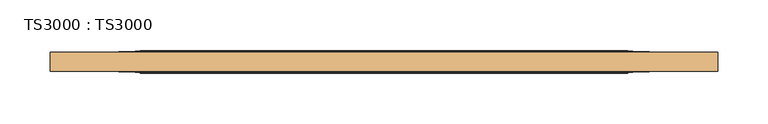
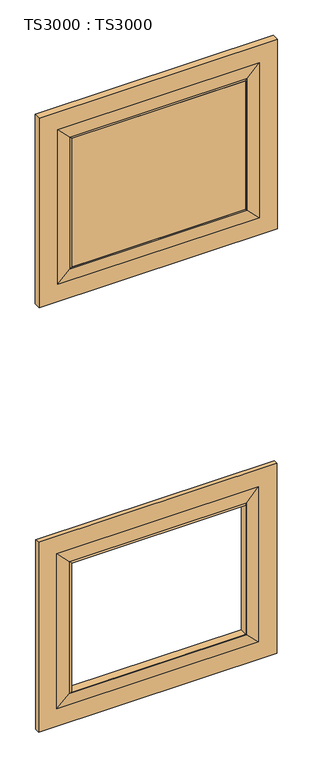
"""IFC4 building model written with IfcOpenShell, lengths in millimetres: door geometry, TS3000 : TS3000."""

import ifcopenshell
import ifcopenshell.guid

model = None  # the IFC model being written
_history = None  # IfcOwnerHistory: only IFC2X3 demands one
_inside = {}  # id of a spatial element -> (the spatial element, [elements in it])
_under = {}  # id of a project, library or spatial element -> (it, [spatial elements below it])
_declared = {}  # id of a project -> (the project, [libraries it declares])
_typed = {}  # id of a type object -> (the type object, [elements of that type])
_made_of = {}  # id of a material, layer set ... -> (it, [elements and type objects made of it])


def new_model(schema):
    """Start an empty IFC model of exactly this schema.

    Asked for "IFC4X3", IfcOpenShell would pick the latest addendum, in which some entities
    have other attributes; the version numbers below select the first issue.
    IFC2X3 requires an IfcOwnerHistory on every rooted entity: one is made here for all.
    """
    global model, _history
    if schema == "IFC4X3":
        model = ifcopenshell.file(schema_version=(4, 3, 0, 0))
    else:
        model = ifcopenshell.file(schema=schema)
    _inside.clear()
    _under.clear()
    _declared.clear()
    _typed.clear()
    _made_of.clear()
    _history = None
    if model.schema == "IFC2X3":
        org = make("IfcOrganization", Name="unknown")
        user = make(
            "IfcPersonAndOrganization",
            ThePerson=make("IfcPerson", FamilyName="unknown"),
            TheOrganization=org,
        )
        app = make(
            "IfcApplication",
            ApplicationDeveloper=org,
            Version="unknown",
            ApplicationFullName="unknown",
            ApplicationIdentifier="unknown",
        )
        _history = make(
            "IfcOwnerHistory",
            OwningUser=user,
            OwningApplication=app,
            ChangeAction="ADDED",
            CreationDate=0,
        )
    return model


def make(cls, **values):
    """One entity of the class cls with the attributes given. An attribute that is None is left unset."""
    return model.create_entity(
        cls, **{name: value for name, value in values.items() if value is not None}
    )


def rooted(cls, **values):
    """An entity with a GlobalId (a new one), such as an element, a storey or a relation."""
    return make(cls, GlobalId=ifcopenshell.guid.new(), OwnerHistory=_history, **values)


def si_unit(unit_type, name, prefix=None):
    """IfcSIUnit, for example si_unit("LENGTHUNIT", "METRE", prefix="MILLI")."""
    return make("IfcSIUnit", UnitType=unit_type, Prefix=prefix, Name=name)


def assignment(units):
    """IfcUnitAssignment: the units of a project."""
    return None if units is None else make("IfcUnitAssignment", Units=units)


def point(xyz):
    """IfcCartesianPoint."""
    return None if xyz is None else make("IfcCartesianPoint", Coordinates=xyz)


def direction(xyz):
    """IfcDirection."""
    return None if xyz is None else make("IfcDirection", DirectionRatios=xyz)


def frame(location, z_axis=None, x_axis=None):
    """IfcAxis2Placement3D, a coordinate frame: its origin and axes. An axis left out is left unset."""
    return make(
        "IfcAxis2Placement3D",
        Location=point(location),
        Axis=direction(z_axis),
        RefDirection=direction(x_axis),
    )


def origin():
    """The frame at (0, 0, 0) with its axes left unset."""
    return frame((0.0, 0.0, 0.0))


def place(relative_to, where):
    """IfcLocalPlacement: puts the frame where relative to a parent placement (None: the world)."""
    return make(
        "IfcLocalPlacement", PlacementRelTo=relative_to, RelativePlacement=where
    )


def context(
    kind, dimensions, precision=None, world=None, true_north=None, identifier=None
):
    """IfcGeometricRepresentationContext, for example the 3D "Model" context."""
    return make(
        "IfcGeometricRepresentationContext",
        ContextIdentifier=identifier,
        ContextType=kind,
        CoordinateSpaceDimension=dimensions,
        Precision=precision,
        WorldCoordinateSystem=world,
        TrueNorth=true_north,
    )


def project(units=None, contexts=None):
    """IfcProject with its units and contexts."""
    return rooted(
        "IfcProject",
        Name="project",
        RepresentationContexts=contexts,
        UnitsInContext=assignment(units),
    )


def spatial(cls, under=None, at=None, **own):
    """A site, building, storey or space (cls), placed at a placement, below another one or the project."""
    s = rooted(cls, ObjectPlacement=at, **own)
    if under is not None:
        _under.setdefault(under.id(), (under, []))[1].append(s)
    return s


def polyline(points):
    """IfcPolyline through the points."""
    return make("IfcPolyline", Points=[point(p) for p in points])


def ellipse_curve(where, semi_axis1, semi_axis2):
    """IfcEllipse in the frame where."""
    return make(
        "IfcEllipse", Position=where, SemiAxis1=semi_axis1, SemiAxis2=semi_axis2
    )


def outline(outer, holes=None, kind="AREA"):
    """IfcArbitraryClosedProfileDef: a profile drawn as a closed curve; with holes, ...WithVoids."""
    if holes is None:
        return make("IfcArbitraryClosedProfileDef", ProfileType=kind, OuterCurve=outer)
    return make(
        "IfcArbitraryProfileDefWithVoids",
        ProfileType=kind,
        OuterCurve=outer,
        InnerCurves=holes,
    )


def extrude(swept, where, along, depth):
    """IfcExtrudedAreaSolid: the profile swept, set in the frame where, extruded along a direction by depth."""
    return make(
        "IfcExtrudedAreaSolid",
        SweptArea=swept,
        Position=where,
        ExtrudedDirection=direction(along),
        Depth=depth,
    )


def shape(context_of_items, identifier, shape_type, items):
    """IfcShapeRepresentation: the items that make up one representation, for example the "Body"."""
    return make(
        "IfcShapeRepresentation",
        ContextOfItems=context_of_items,
        RepresentationIdentifier=identifier,
        RepresentationType=shape_type,
        Items=items,
    )


def source(mapping_origin, context_of_items, identifier, shape_type, items):
    """IfcRepresentationMap: a shape defined once, which mapped items show again and again."""
    return make(
        "IfcRepresentationMap",
        MappingOrigin=mapping_origin,
        MappedRepresentation=shape(context_of_items, identifier, shape_type, items),
    )


def transform(
    local_origin,
    x_axis=None,
    y_axis=None,
    z_axis=None,
    scale=None,
    scale2=None,
    scale3=None,
    uniform=True,
):
    """IfcCartesianTransformationOperator3D, or its non-uniform kind. x_axis, y_axis, z_axis: its Axis1, 2, 3."""
    if uniform:
        return make(
            "IfcCartesianTransformationOperator3D",
            Axis1=direction(x_axis),
            Axis2=direction(y_axis),
            LocalOrigin=point(local_origin),
            Scale=scale,
            Axis3=direction(z_axis),
        )
    return make(
        "IfcCartesianTransformationOperator3DnonUniform",
        Axis1=direction(x_axis),
        Axis2=direction(y_axis),
        LocalOrigin=point(local_origin),
        Scale=scale,
        Axis3=direction(z_axis),
        Scale2=scale2,
        Scale3=scale3,
    )


def mapped(mapping_source, mapping_target):
    """IfcMappedItem: shows the shape of a source again, moved by a transform."""
    return make(
        "IfcMappedItem", MappingSource=mapping_source, MappingTarget=mapping_target
    )


def made_of(thing, what):
    """Note that an element or type object is made of a material, layer set ...; save() writes the relation."""
    if what is not None:
        _made_of.setdefault(what.id(), (what, []))[1].append(thing)
    return thing


def element(
    cls,
    number,
    at=None,
    inside=None,
    cuts=None,
    type_object=None,
    material=None,
    context=None,
    identifier="Body",
    shape_type=None,
    held_by="IfcProductDefinitionShape",
    body=None,
    shapes=None,
    **own,
):
    """One element of the class cls, such as IfcWall. Its Tag is "e" and its number.

    at: its placement. inside: the storey or other place that contains it. cuts: it is an
    opening in that element (IfcRelVoidsElement). A single representation is given by context,
    identifier, shape_type and body (its items); several are given by shapes. held_by: the class
    of the entity that holds the representations. save() writes the other relations.
    """
    e = rooted(cls, Tag="e%d" % number, ObjectPlacement=at, **own)
    if body is not None:
        shapes = [shape(context, identifier, shape_type, body)]
    if shapes is not None:
        e.Representation = make(held_by, Representations=shapes)
    if inside is not None:
        _inside.setdefault(inside.id(), (inside, []))[1].append(e)
    if cuts is not None:
        rooted(
            "IfcRelVoidsElement", RelatingBuildingElement=cuts, RelatedOpeningElement=e
        )
    if type_object is not None:
        _typed.setdefault(type_object.id(), (type_object, []))[1].append(e)
    return made_of(e, material)


def aggregate(whole, parts):
    """IfcRelAggregates: a whole, such as a stair, and the parts it consists of."""
    return rooted("IfcRelAggregates", RelatingObject=whole, RelatedObjects=parts)


def save(model, path):
    """Write the relations noted so far, then the file.

    IfcRelAggregates (storeys below a building ...), IfcRelContainedInSpatialStructure (elements
    in a storey), IfcRelDefinesByType, IfcRelAssociatesMaterial and IfcRelDeclares: one each for
    every whole, place, type object, material and project.
    """
    for whole, parts in _under.values():
        aggregate(whole, parts)
    for where, things in _inside.values():
        rooted(
            "IfcRelContainedInSpatialStructure",
            RelatedElements=things,
            RelatingStructure=where,
        )
    for kind, things in _typed.values():
        rooted("IfcRelDefinesByType", RelatedObjects=things, RelatingType=kind)
    for what, things in _made_of.values():
        rooted("IfcRelAssociatesMaterial", RelatedObjects=things, RelatingMaterial=what)
    for by, libraries in _declared.values():
        rooted("IfcRelDeclares", RelatingContext=by, RelatedDefinitions=libraries)
    model.write(path)


def plane_surface(at):
    """IfcPlane: the flat surface through the origin of the frame at, square to its z axis."""
    return make("IfcPlane", Position=at)


def revolved_surface(curve, axis_point, axis_direction):
    """IfcSurfaceOfRevolution: the curve turned about the line through axis_point along axis_direction."""
    return make(
        "IfcSurfaceOfRevolution",
        SweptCurve=make("IfcArbitraryOpenProfileDef", ProfileType="CURVE", Curve=curve),
        AxisPosition=make("IfcAxis1Placement", Location=point(axis_point), Axis=direction(axis_direction)),
    )


def advanced_brep(points, edges, surfaces, faces):
    """IfcAdvancedBrep: a solid bounded by faces that lie on surfaces and meet in shared edges.

    An edge is (start, end): straight between two places in points (the first is 0);
    or (start, end, curve); or (start, end, curve, False) where it runs against its curve.
    A face is (place in surfaces, loops), or (place, loops, False) where it looks against
    its surface's normal. A loop lists edges by number (the first is 1), with a minus sign
    where the edge is run from its end to its start. The first loop is the outer one.
    """
    corners = [point(p) for p in points]
    vertices = [make("IfcVertexPoint", VertexGeometry=c) for c in corners]
    made = []
    for start, end, *more in edges:
        made.append(
            make(
                "IfcEdgeCurve",
                EdgeStart=vertices[start],
                EdgeEnd=vertices[end],
                EdgeGeometry=more[0] if more else make("IfcPolyline", Points=[corners[start], corners[end]]),
                SameSense=more[1] if len(more) > 1 else True,
            )
        )
    hull = []
    for where, loops, *sense in faces:
        bounds = []
        for j, loop in enumerate(loops):
            ring = [make("IfcOrientedEdge", EdgeElement=made[abs(k) - 1], Orientation=k > 0) for k in loop]
            bounds.append(
                make(
                    "IfcFaceOuterBound" if j == 0 else "IfcFaceBound",
                    Bound=make("IfcEdgeLoop", EdgeList=ring),
                    Orientation=True,
                )
            )
        hull.append(make("IfcAdvancedFace", Bounds=bounds, FaceSurface=surfaces[where], SameSense=sense[0] if sense else True))
    return make("IfcAdvancedBrep", Outer=make("IfcClosedShell", CfsFaces=hull))


def ts3000_ts3000_832c720e(model_context):
    return source(origin(), model_context, "Body", "SolidModel", [
        advanced_brep(
        [(787.4, 15.875, 764.1166667), (787.4, 15.875, 209.55), (787.4, 28.575, 209.55), (787.4, 28.575, 764.1166667), (698.5, 33.3375, 675.2166667), (698.5, 33.3375, 298.45), (698.5, 11.1125, 298.45), (698.5, 11.1125, 675.2166667), (127.0, 15.875, 209.55), (127.0, 28.575, 209.55), (215.9, 33.3375, 298.45), (215.9, 11.1125, 298.45), (127.0, 15.875, 764.1166667), (127.0, 28.575, 764.1166667), (215.9, 33.3375, 675.2166667), (215.9, 11.1125, 675.2166667), (736.6, 28.575, 260.35), (736.6, 28.575, 713.3166667), (177.8, 28.575, 713.3166667), (177.8, 28.575, 260.35), (736.6, 15.875, 713.3166667), (736.6, 15.875, 260.35), (177.8, 15.875, 260.35), (177.8, 15.875, 713.3166667), (703.2625, 30.95625, 293.6875), (703.2625, 30.95625, 679.9791667), (211.1375, 30.95625, 293.6875), (211.1375, 30.95625, 679.9791667), (703.2625, 13.49375, 679.9791667), (703.2625, 13.49375, 293.6875), (211.1375, 13.49375, 293.6875), (211.1375, 13.49375, 679.9791667)],
        [
            (0, 1),
            (1, 2),
            (2, 3),
            (3, 0),
            (4, 5),
            (5, 6),
            (6, 7),
            (7, 4),
            (1, 8),
            (8, 9),
            (9, 2),
            (5, 10),
            (10, 11),
            (11, 6),
            (8, 12),
            (12, 13),
            (13, 9),
            (10, 14),
            (14, 15),
            (15, 11),
            (13, 3),
            (16, 17),
            (17, 18),
            (18, 19),
            (19, 16),
            (12, 0),
            (20, 21),
            (21, 22),
            (22, 23),
            (23, 20),
            (14, 4),
            (7, 15),
            (16, 24),
            (24, 25),
            (25, 17),
            (19, 26),
            (26, 24),
            (18, 27),
            (27, 26),
            (25, 27),
            (28, 29),
            (29, 21),
            (20, 28),
            (6, 29, ellipse_curve(frame((703.7585938, 6.5484375, 293.1914062), z_axis=(-0.7071067811865475, 0.0, -0.7071067811865475), x_axis=(0.7071067811865474, 0.0, -0.7071067811865476)), 9.8471798, 6.9630076)),
            (28, 7, ellipse_curve(frame((703.7585938, 6.5484375, 680.4752604), z_axis=(-0.7071067811865475, 0.0, 0.7071067811865475), x_axis=(-0.7071067811865474, 0.0, -0.7071067811865476)), 9.8471798, 6.9630076)),
            (24, 5, ellipse_curve(frame((703.7585938, 37.9015625, 293.1914062), z_axis=(-0.7071067811865475, 0.0, -0.7071067811865475), x_axis=(0.7071067811865474, 0.0, -0.7071067811865476)), 9.8471798, 6.9630076)),
            (4, 25, ellipse_curve(frame((703.7585938, 37.9015625, 680.4752604), z_axis=(-0.7071067811865475, 0.0, 0.7071067811865475), x_axis=(-0.7071067811865474, 0.0, -0.7071067811865476)), 9.8471798, 6.9630076)),
            (29, 30),
            (30, 22),
            (11, 30, ellipse_curve(frame((210.6414062, 6.5484375, 293.1914062), z_axis=(-0.7071067811865475, 0.0, 0.7071067811865475), x_axis=(-0.7071067811865476, 0.0, -0.7071067811865474)), 9.8471798, 6.9630076)),
            (26, 10, ellipse_curve(frame((210.6414062, 37.9015625, 293.1914062), z_axis=(-0.7071067811865475, 0.0, 0.7071067811865475), x_axis=(-0.7071067811865476, 0.0, -0.7071067811865474)), 9.8471798, 6.9630076)),
            (30, 31),
            (31, 23),
            (15, 31, ellipse_curve(frame((210.6414062, 6.5484375, 680.4752604), z_axis=(0.7071067811865475, 0.0, 0.7071067811865475), x_axis=(-0.7071067811865474, 0.0, 0.7071067811865476)), 9.8471798, 6.9630076)),
            (27, 14, ellipse_curve(frame((210.6414062, 37.9015625, 680.4752604), z_axis=(0.7071067811865475, 0.0, 0.7071067811865475), x_axis=(-0.7071067811865474, 0.0, 0.7071067811865476)), 9.8471798, 6.9630076)),
            (31, 28),
        ],
        [
            plane_surface(frame((787.4, 28.575, 764.1166667), z_axis=(1.0, 0.0, 0.0), x_axis=(0.0, 0.0, -1.0))),
            plane_surface(frame((698.5, 11.1125, 675.2166667), z_axis=(-1.0, 0.0, 0.0), x_axis=(0.0, 0.0, -1.0))),
            plane_surface(frame((787.4, 28.575, 209.55), z_axis=(0.0, 0.0, -1.0), x_axis=(-1.0, 0.0, 0.0))),
            plane_surface(frame((698.5, 11.1125, 298.45), z_axis=(0.0, 0.0, 1.0), x_axis=(-1.0, 0.0, 0.0))),
            plane_surface(frame((127.0, 28.575, 209.55), z_axis=(-1.0, 0.0, 0.0), x_axis=(0.0, 0.0, 1.0))),
            plane_surface(frame((215.9, 11.1125, 298.45), z_axis=(1.0, 0.0, 0.0), x_axis=(0.0, 0.0, 1.0))),
            plane_surface(frame((177.8, 28.575, 713.3166667), z_axis=(0.0, 1.0, 0.0), x_axis=(1.0, 0.0, 0.0))),
            plane_surface(frame((127.0, 28.575, 764.1166667), z_axis=(0.0, 0.0, 1.0), x_axis=(1.0, 0.0, 0.0))),
            plane_surface(frame((127.0, 15.875, 764.1166667), z_axis=(0.0, -1.0, 0.0), x_axis=(1.0, 0.0, 0.0))),
            plane_surface(frame((215.9, 11.1125, 675.2166667), z_axis=(0.0, 0.0, -1.0), x_axis=(1.0, 0.0, 0.0))),
            plane_surface(frame((703.2625, 30.95625, 679.9791667), z_axis=(0.07124704998802812, 0.9974586998307265, 0.0), x_axis=(0.0, 0.0, -1.0))),
            plane_surface(frame((703.2625, 30.95625, 293.6875), z_axis=(0.0, 0.9974586998307263, -0.07124704998803134), x_axis=(-1.0, 0.0, 0.0))),
            plane_surface(frame((211.1375, 30.95625, 293.6875), z_axis=(-0.07124704998803456, 0.9974586998307261, 0.0), x_axis=(0.0, 0.0, 1.0))),
            plane_surface(frame((211.1375, 30.95625, 679.9791667), z_axis=(0.0, 0.9974586998307263, 0.07124704998803134), x_axis=(1.0, 0.0, 0.0))),
            plane_surface(frame((736.6, 15.875, 713.3166667), z_axis=(0.07124704998803483, -0.9974586998307261, 0.0), x_axis=(0.0, 0.0, -1.0))),
            revolved_surface(polyline([(696.7955862, 6.5484375, 286.2283985878568), (696.7955862, 6.5484375, 687.4382680121432)]), (703.7585938, 6.5484375, 675.2166667), (0.0, 0.0, -1.0)),
            revolved_surface(polyline([(696.7955862, 37.9015625, 286.2283985878568), (696.7955862, 37.9015625, 687.4382680121432)]), (703.7585938, 37.9015625, 675.2166667), (0.0, 0.0, -1.0)),
            plane_surface(frame((736.6, 15.875, 260.35), z_axis=(0.0, -0.9974586998307263, -0.07124704998803161), x_axis=(-1.0, 0.0, 0.0))),
            revolved_surface(polyline([(203.6783985878568, 6.5484375, 300.15441380000004), (710.7216014121432, 6.5484375, 300.15441380000004)]), (698.5, 6.5484375, 293.1914062), (-1.0, 0.0, 0.0)),
            revolved_surface(polyline([(203.6783985878568, 37.9015625, 300.15441380000004), (710.7216014121432, 37.9015625, 300.15441380000004)]), (698.5, 37.9015625, 293.1914062), (-1.0, 0.0, 0.0)),
            plane_surface(frame((177.8, 15.875, 260.35), z_axis=(-0.07124704998802839, -0.9974586998307265, 0.0), x_axis=(0.0, 0.0, 1.0))),
            revolved_surface(polyline([(217.6044138, 6.5484375, 687.4382680121432), (217.6044138, 6.5484375, 286.2283985878568)]), (210.6414062, 6.5484375, 298.45), (0.0, 0.0, 1.0)),
            revolved_surface(polyline([(217.6044138, 37.9015625, 687.4382680121432), (217.6044138, 37.9015625, 286.2283985878568)]), (210.6414062, 37.9015625, 298.45), (0.0, 0.0, 1.0)),
            plane_surface(frame((177.8, 15.875, 713.3166667), z_axis=(0.0, -0.9974586998307263, 0.07124704998803161), x_axis=(1.0, 0.0, 0.0))),
            revolved_surface(polyline([(710.7216014121432, 6.5484375, 673.5122528), (203.6783985878568, 6.5484375, 673.5122528)]), (215.9, 6.5484375, 680.4752604), (1.0, 0.0, 0.0)),
            revolved_surface(polyline([(710.7216014121432, 37.9015625, 673.5122528), (203.6783985878568, 37.9015625, 673.5122528)]), (215.9, 37.9015625, 680.4752604), (1.0, 0.0, 0.0)),
        ],
        [
            (0, [[1, 2, 3, 4]]),
            (1, [[5, 6, 7, 8]]),
            (2, [[9, 10, 11, -2]]),
            (3, [[12, 13, 14, -6]]),
            (4, [[15, 16, 17, -10]]),
            (5, [[18, 19, 20, -13]]),
            (6, [[-3, -11, -17, 21], [22, 23, 24, 25]]),
            (7, [[26, -4, -21, -16]]),
            (8, [[-1, -26, -15, -9], [27, 28, 29, 30]]),
            (9, [[31, -8, 32, -19]]),
            (10, [[-22, 33, 34, 35]]),
            (11, [[-25, 36, 37, -33]]),
            (12, [[-24, 38, 39, -36]]),
            (13, [[-23, -35, 40, -38]]),
            (14, [[41, 42, -27, 43]]),
            (15, [[-7, 44, -41, 45]]),
            (16, [[-34, 46, -5, 47]]),
            (17, [[48, 49, -28, -42]]),
            (18, [[-14, 50, -48, -44]]),
            (19, [[-37, 51, -12, -46]]),
            (20, [[52, 53, -29, -49]]),
            (21, [[-20, 54, -52, -50]]),
            (22, [[-39, 55, -18, -51]]),
            (23, [[56, -43, -30, -53]]),
            (24, [[-32, -45, -56, -54]]),
            (25, [[-40, -47, -31, -55]]),
        ],
    ),
        advanced_brep(
        [(787.4, 12.7, 2006.6), (787.4, 12.7, 1452.0333333), (787.4, 31.75, 1452.0333333), (787.4, 31.75, 2006.6), (698.5, 33.3375, 1917.7), (698.5, 33.3375, 1540.9333333), (698.5, 11.1125, 1540.9333333), (698.5, 11.1125, 1917.7), (127.0, 12.7, 1452.0333333), (127.0, 31.75, 1452.0333333), (215.9, 33.3375, 1540.9333333), (215.9, 11.1125, 1540.9333333), (127.0, 12.7, 2006.6), (127.0, 31.75, 2006.6), (215.9, 33.3375, 1917.7), (215.9, 11.1125, 1917.7), (736.6, 31.75, 1502.8333333), (736.6, 31.75, 1955.8), (177.8, 31.75, 1955.8), (177.8, 31.75, 1502.8333333), (736.6, 12.7, 1955.8), (736.6, 12.7, 1502.8333333), (177.8, 12.7, 1502.8333333), (177.8, 12.7, 1955.8), (703.2625, 32.54375, 1536.1708333), (703.2625, 32.54375, 1922.4625), (211.1375, 32.54375, 1536.1708333), (211.1375, 32.54375, 1922.4625), (703.2625, 11.90625, 1922.4625), (703.2625, 11.90625, 1536.1708333), (211.1375, 11.90625, 1536.1708333), (211.1375, 11.90625, 1922.4625)],
        [
            (0, 1),
            (1, 2),
            (2, 3),
            (3, 0),
            (4, 5),
            (5, 6),
            (6, 7),
            (7, 4),
            (1, 8),
            (8, 9),
            (9, 2),
            (5, 10),
            (10, 11),
            (11, 6),
            (8, 12),
            (12, 13),
            (13, 9),
            (10, 14),
            (14, 15),
            (15, 11),
            (13, 3),
            (16, 17),
            (17, 18),
            (18, 19),
            (19, 16),
            (12, 0),
            (20, 21),
            (21, 22),
            (22, 23),
            (23, 20),
            (14, 4),
            (7, 15),
            (16, 24),
            (24, 25),
            (25, 17),
            (19, 26),
            (26, 24),
            (18, 27),
            (27, 26),
            (25, 27),
            (28, 29),
            (29, 21),
            (20, 28),
            (6, 29, ellipse_curve(frame((703.7585938, -5.7546875, 1535.6747396), z_axis=(-0.7071067811865475, 0.0, -0.7071067811865475), x_axis=(0.7071067811865474, 0.0, -0.7071067811865476)), 24.9861891, 17.6679037)),
            (28, 7, ellipse_curve(frame((703.7585938, -5.7546875, 1922.9585938), z_axis=(-0.7071067811865475, 0.0, 0.7071067811865475), x_axis=(-0.7071067811865474, 0.0, -0.7071067811865476)), 24.9861891, 17.6679037)),
            (24, 5, ellipse_curve(frame((703.7585938, 50.2046875, 1535.6747396), z_axis=(-0.7071067811865475, 0.0, -0.7071067811865475), x_axis=(0.7071067811865474, 0.0, -0.7071067811865476)), 24.9861891, 17.6679037)),
            (4, 25, ellipse_curve(frame((703.7585938, 50.2046875, 1922.9585938), z_axis=(-0.7071067811865475, 0.0, 0.7071067811865475), x_axis=(-0.7071067811865474, 0.0, -0.7071067811865476)), 24.9861891, 17.6679037)),
            (29, 30),
            (30, 22),
            (11, 30, ellipse_curve(frame((210.6414063, -5.7546875, 1535.6747396), z_axis=(-0.7071067811865475, 0.0, 0.7071067811865475), x_axis=(-0.7071067811865476, 0.0, -0.7071067811865474)), 24.9861891, 17.6679037)),
            (26, 10, ellipse_curve(frame((210.6414063, 50.2046875, 1535.6747396), z_axis=(-0.7071067811865475, 0.0, 0.7071067811865475), x_axis=(-0.7071067811865476, 0.0, -0.7071067811865474)), 24.9861891, 17.6679037)),
            (30, 31),
            (31, 23),
            (15, 31, ellipse_curve(frame((210.6414063, -5.7546875, 1922.9585938), z_axis=(0.7071067811865475, 0.0, 0.7071067811865475), x_axis=(-0.7071067811865474, 0.0, 0.7071067811865476)), 24.9861891, 17.6679037)),
            (27, 14, ellipse_curve(frame((210.6414063, 50.2046875, 1922.9585938), z_axis=(0.7071067811865475, 0.0, 0.7071067811865475), x_axis=(-0.7071067811865474, 0.0, 0.7071067811865476)), 24.9861891, 17.6679037)),
            (31, 28),
        ],
        [
            plane_surface(frame((787.4, 31.75, 2006.6), z_axis=(1.0, 0.0, 0.0), x_axis=(0.0, 0.0, -1.0))),
            plane_surface(frame((698.5, 11.1125, 1917.7), z_axis=(-1.0, 0.0, 0.0), x_axis=(0.0, 0.0, -1.0))),
            plane_surface(frame((787.4, 31.75, 1452.0333333), z_axis=(0.0, 0.0, -1.0), x_axis=(-1.0, 0.0, 0.0))),
            plane_surface(frame((698.5, 11.1125, 1540.9333333), z_axis=(0.0, 0.0, 1.0), x_axis=(-1.0, 0.0, 0.0))),
            plane_surface(frame((127.0, 31.75, 1452.0333333), z_axis=(-1.0, 0.0, 0.0), x_axis=(0.0, 0.0, 1.0))),
            plane_surface(frame((215.9, 11.1125, 1540.9333333), z_axis=(1.0, 0.0, 0.0), x_axis=(0.0, 0.0, 1.0))),
            plane_surface(frame((177.8, 31.75, 1955.8), z_axis=(0.0, 1.0, 0.0), x_axis=(1.0, 0.0, 0.0))),
            plane_surface(frame((127.0, 31.75, 2006.6), z_axis=(0.0, 0.0, 1.0), x_axis=(1.0, 0.0, 0.0))),
            plane_surface(frame((127.0, 12.7, 2006.6), z_axis=(0.0, -1.0, 0.0), x_axis=(1.0, 0.0, 0.0))),
            plane_surface(frame((215.9, 11.1125, 1917.7), z_axis=(0.0, 0.0, -1.0), x_axis=(1.0, 0.0, 0.0))),
            plane_surface(frame((703.2625, 32.54375, 1922.4625), z_axis=(0.023802777946325054, 0.9997166737441353, 0.0), x_axis=(0.0, 0.0, -1.0))),
            plane_surface(frame((703.2625, 32.54375, 1536.1708333), z_axis=(0.0, 0.9997166737441353, -0.02380277794632829), x_axis=(-1.0, 0.0, 0.0))),
            plane_surface(frame((211.1375, 32.54375, 1536.1708333), z_axis=(-0.023802777946331524, 0.9997166737441352, 0.0), x_axis=(0.0, 0.0, 1.0))),
            plane_surface(frame((211.1375, 32.54375, 1922.4625), z_axis=(0.0, 0.9997166737441353, 0.02380277794632829), x_axis=(1.0, 0.0, 0.0))),
            plane_surface(frame((736.6, 12.7, 1955.8), z_axis=(0.023802777946332284, -0.9997166737441352, 0.0), x_axis=(0.0, 0.0, -1.0))),
            revolved_surface(polyline([(686.0906901, -5.7546875, 1518.0068358513806), (686.0906901, -5.7546875, 1940.6264975486195)]), (703.7585938, -5.7546875, 1917.7), (0.0, 0.0, -1.0)),
            revolved_surface(polyline([(686.0906901, 50.2046875, 1518.0068358513806), (686.0906901, 50.2046875, 1940.6264975486195)]), (703.7585938, 50.2046875, 1917.7), (0.0, 0.0, -1.0)),
            plane_surface(frame((736.6, 12.7, 1502.8333333), z_axis=(0.0, -0.9997166737441353, -0.02380277794632905), x_axis=(-1.0, 0.0, 0.0))),
            revolved_surface(polyline([(192.9735025513806, -5.7546875, 1553.3426433), (721.4264975486194, -5.7546875, 1553.3426433)]), (698.5, -5.7546875, 1535.6747396), (-1.0, 0.0, 0.0)),
            revolved_surface(polyline([(192.9735025513806, 50.2046875, 1553.3426433), (721.4264975486194, 50.2046875, 1553.3426433)]), (698.5, 50.2046875, 1535.6747396), (-1.0, 0.0, 0.0)),
            plane_surface(frame((177.8, 12.7, 1502.8333333), z_axis=(-0.023802777946325817, -0.9997166737441354, 0.0), x_axis=(0.0, 0.0, 1.0))),
            revolved_surface(polyline([(228.30931, -5.7546875, 1940.6264975486195), (228.30931, -5.7546875, 1518.0068358513806)]), (210.6414063, -5.7546875, 1540.9333333), (0.0, 0.0, 1.0)),
            revolved_surface(polyline([(228.30931, 50.2046875, 1940.6264975486195), (228.30931, 50.2046875, 1518.0068358513806)]), (210.6414063, 50.2046875, 1540.9333333), (0.0, 0.0, 1.0)),
            plane_surface(frame((177.8, 12.7, 1955.8), z_axis=(0.0, -0.9997166737441353, 0.02380277794632905), x_axis=(1.0, 0.0, 0.0))),
            revolved_surface(polyline([(721.4264975486194, -5.7546875, 1905.2906901000001), (192.9735025513806, -5.7546875, 1905.2906901000001)]), (215.9, -5.7546875, 1922.9585938), (1.0, 0.0, 0.0)),
            revolved_surface(polyline([(721.4264975486194, 50.2046875, 1905.2906901000001), (192.9735025513806, 50.2046875, 1905.2906901000001)]), (215.9, 50.2046875, 1922.9585938), (1.0, 0.0, 0.0)),
        ],
        [
            (0, [[1, 2, 3, 4]]),
            (1, [[5, 6, 7, 8]]),
            (2, [[9, 10, 11, -2]]),
            (3, [[12, 13, 14, -6]]),
            (4, [[15, 16, 17, -10]]),
            (5, [[18, 19, 20, -13]]),
            (6, [[-3, -11, -17, 21], [22, 23, 24, 25]]),
            (7, [[26, -4, -21, -16]]),
            (8, [[-1, -26, -15, -9], [27, 28, 29, 30]]),
            (9, [[31, -8, 32, -19]]),
            (10, [[-22, 33, 34, 35]]),
            (11, [[-25, 36, 37, -33]]),
            (12, [[-24, 38, 39, -36]]),
            (13, [[-23, -35, 40, -38]]),
            (14, [[41, 42, -27, 43]]),
            (15, [[-7, 44, -41, 45]]),
            (16, [[-34, 46, -5, 47]]),
            (17, [[48, 49, -28, -42]]),
            (18, [[-14, 50, -48, -44]]),
            (19, [[-37, 51, -12, -46]]),
            (20, [[52, 53, -29, -49]]),
            (21, [[-20, 54, -52, -50]]),
            (22, [[-39, 55, -18, -51]]),
            (23, [[56, -43, -30, -53]]),
            (24, [[-32, -45, -56, -54]]),
            (25, [[-40, -47, -31, -55]]),
        ],
    ),
        extrude(outline(polyline([(215.9, 11.1125), (215.9, 33.3375), (698.5, 33.3375), (698.5, 11.1125), (215.9, 11.1125)])), frame((0.0, 0.0, 1540.9333333), z_axis=(0.0, 0.0, 1.0), x_axis=(1.0, 0.0, 0.0)), (0.0, 0.0, 1.0), 376.7666667),
    ])


if __name__ == "__main__":
    model = new_model("IFC4")
    model_context = context("Model", 3, world=origin())
    ifc_project = project(units=[si_unit("LENGTHUNIT", "METRE", prefix="MILLI")], contexts=[model_context])
    site = spatial("IfcSite", under=ifc_project)
    building = spatial("IfcBuilding", under=site)
    placement = place(None, origin())
    ts3000_ts3000_shape = ts3000_ts3000_832c720e(model_context)
    element("IfcDoor", 1, ObjectType="TS3000 : TS3000", at=placement, inside=building, context=model_context, shape_type="MappedRepresentation", body=[
        mapped(ts3000_ts3000_shape, transform((0.0, 0.0, 0.0), x_axis=(1.0, 0.0, 0.0), y_axis=(0.0, 1.0, 0.0), z_axis=(0.0, 0.0, 1.0))),
    ])
    save(model, "model.ifc")
